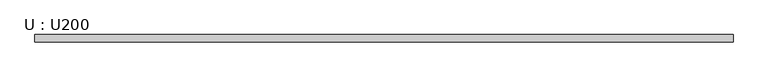
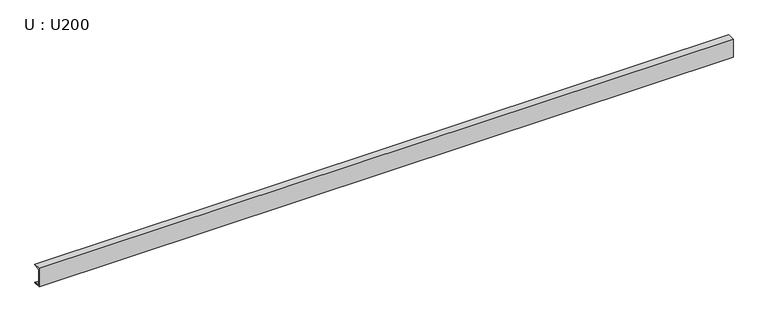
"""IFC4 building model written with IfcOpenShell, lengths in millimetres: member geometry, U : U200."""

from ifc_helpers import new_model, si_unit, point, frame, frame_2d, origin, place, context, project, spatial, polyline, circle_curve, trimmed, segment, composite_curve, outline, extrude, source, transform, mapped, element, save


def u_u200_d78eb371(model_context):
    return source(origin(), model_context, "Body", "SweptSolid", [
        extrude(outline(composite_curve([segment(polyline([(-20.1, 100.0), (54.9, 100.0), (54.9, 97.0369668)]), True, "CONTINUOUS"), segment(trimmed(circle_curve(frame_2d((48.9, 97.0369668)), 6.0), [point((54.9, 97.0369668))], [point((49.378062, 91.0560424))], False, "CARTESIAN"), True, "CONTINUOUS"), segment(polyline([(49.378062, 91.0560424), (-1.0162855, 87.0279656)]), True, "CONTINUOUS"), segment(trimmed(circle_curve(frame_2d((-0.1, 75.5645272)), 11.5), [point((-1.0162855, 87.0279656))], [point((-11.6, 75.5645272))], True, "CARTESIAN"), True, "CONTINUOUS"), segment(polyline([(-11.6, 75.5645272), (-11.6, -75.5645272)]), True, "CONTINUOUS"), segment(trimmed(circle_curve(frame_2d((-0.1, -75.5645272)), 11.5), [point((-11.6, -75.5645272))], [point((-1.0162855, -87.0279656))], True, "CARTESIAN"), True, "CONTINUOUS"), segment(polyline([(-1.0162855, -87.0279656), (49.378062, -91.0560424)]), True, "CONTINUOUS"), segment(trimmed(circle_curve(frame_2d((48.9, -97.0369668)), 6.0), [point((49.378062, -91.0560424))], [point((54.9, -97.0369668))], False, "CARTESIAN"), True, "CONTINUOUS"), segment(polyline([(54.9, -97.0369668), (54.9, -100.0), (-20.1, -100.0), (-20.1, 100.0)]), True, "CONTINUOUS")], self_intersect=False)), frame((-3575.0, 0.0, 0.0), z_axis=(1.0, 0.0, 0.0), x_axis=(0.0, 1.0, 0.0)), (0.0, 0.0, 1.0), 7150.0),
    ])


if __name__ == "__main__":
    model = new_model("IFC4")
    model_context = context("Model", 3, world=origin())
    ifc_project = project(units=[si_unit("LENGTHUNIT", "METRE", prefix="MILLI")], contexts=[model_context])
    site = spatial("IfcSite", under=ifc_project)
    building = spatial("IfcBuilding", under=site)
    placement = place(None, origin())
    u_u200_shape = u_u200_d78eb371(model_context)
    element("IfcMember", 1, ObjectType="U : U200", at=placement, inside=building, context=model_context, shape_type="MappedRepresentation", body=[
        mapped(u_u200_shape, transform((0.0, 0.0, 0.0), x_axis=(1.0, 0.0, 0.0), y_axis=(0.0, 1.0, 0.0), z_axis=(0.0, 0.0, 1.0))),
    ])
    save(model, "model.ifc")
